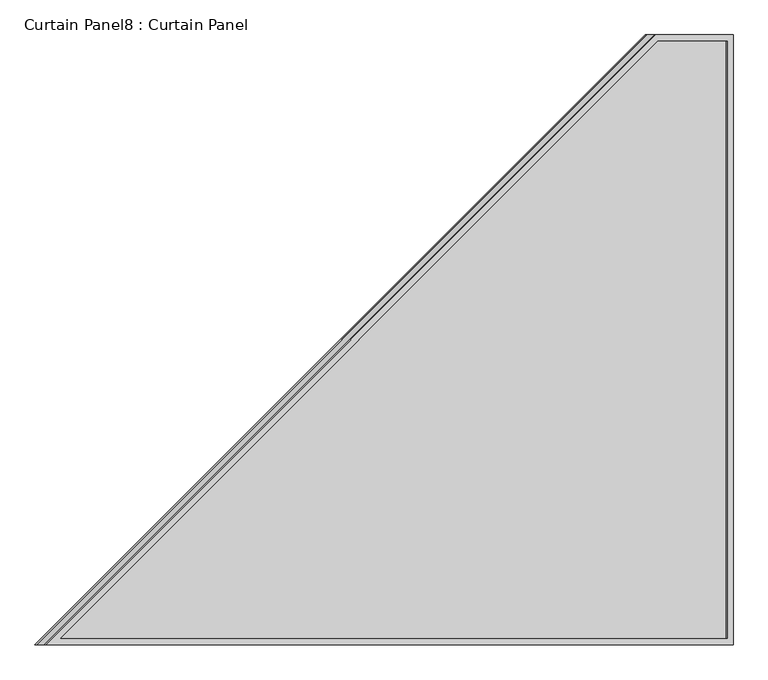
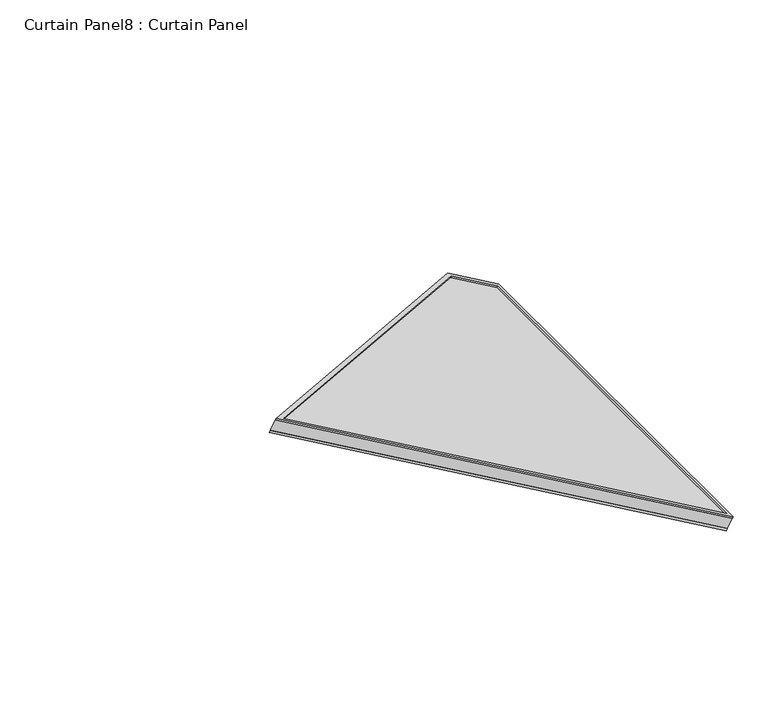
"""IFC4 building model written with IfcOpenShell, lengths in millimetres: plate geometry, Curtain Panel8 : Curtain Panel."""

from ifc_helpers import new_model, si_unit, frame, origin, place, context, project, spatial, polyline, outline, extrude, source, transform, mapped, element, save


def curtain_panel8_curtain_panel_340dcb8e(model_context):
    return source(origin(), model_context, "Body", "SweptSolid", [
        extrude(outline(polyline([(174.5462334, -1193.8), (0.0, -1193.8), (0.0, 0.0), (1553.0277362, 0.0), (174.5462334, -1193.8)]), holes=[polyline([(1518.9634689, -12.7), (12.7, -12.7), (12.7, -1181.1), (169.8113599, -1181.1), (1518.9634689, -12.7)])]), frame((-6938.6867297, 8526.3537369, 1285.9218093), z_axis=(0.5000000000000022, 0.0, 0.8660254037844374), x_axis=(-0.8660254037844374, 0.0, 0.5000000000000022)), (0.0, 0.0, 1.0), 4.7672095),
        extrude(outline(polyline([(174.5462334, -1193.8), (0.0, -1193.8), (0.0, 0.0), (1553.0277362, 0.0), (174.5462334, -1193.8)]), holes=[polyline([(1518.9634688, -12.7), (12.7, -12.7), (12.7, -1181.1), (169.8113598, -1181.1), (1518.9634688, -12.7)])]), frame((-6957.1145458, 8526.3537369, 1254.0038956), z_axis=(0.5000000000000024, 0.0, 0.8660254037844374), x_axis=(-0.8660254037844374, 0.0, 0.5000000000000024)), (0.0, 0.0, 1.0), 6.7312322),
        extrude(outline(polyline([(12.7, 0.0), (1206.5, 0.0), (1206.5, -1553.0277362), (12.7, -174.5462334), (12.7, 0.0)])), frame((-6953.7489297, 9732.8537369, 1259.8333136), z_axis=(0.5000000000000002, 0.0, 0.8660254037844386), x_axis=(0.0, -1.0, 0.0)), (0.0, 0.0, 1.0), 30.1244),
    ])


if __name__ == "__main__":
    model = new_model("IFC4")
    model_context = context("Model", 3, world=origin())
    ifc_project = project(units=[si_unit("LENGTHUNIT", "METRE", prefix="MILLI")], contexts=[model_context])
    site = spatial("IfcSite", under=ifc_project)
    building = spatial("IfcBuilding", under=site)
    placement = place(None, origin())
    curtain_panel8_curtain_panel_shape = curtain_panel8_curtain_panel_340dcb8e(model_context)
    element("IfcPlate", 1, ObjectType="Curtain Panel8 : Curtain Panel", at=placement, inside=building, context=model_context, shape_type="MappedRepresentation", body=[
        mapped(curtain_panel8_curtain_panel_shape, transform((0.0, 0.0, 0.0), x_axis=(1.0, 0.0, 0.0), y_axis=(0.0, 1.0, 0.0), z_axis=(0.0, 0.0, 1.0))),
    ])
    save(model, "model.ifc")
